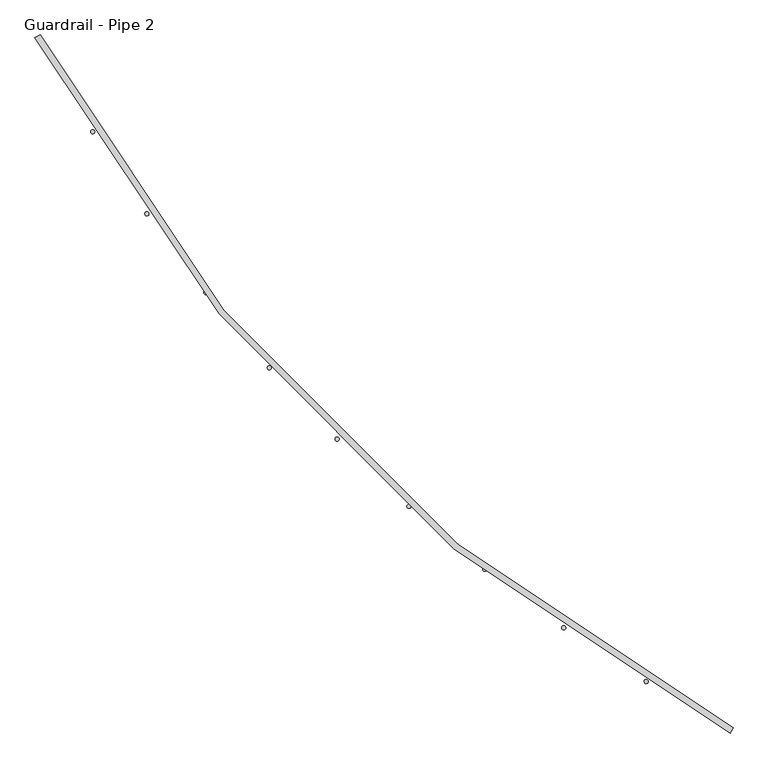
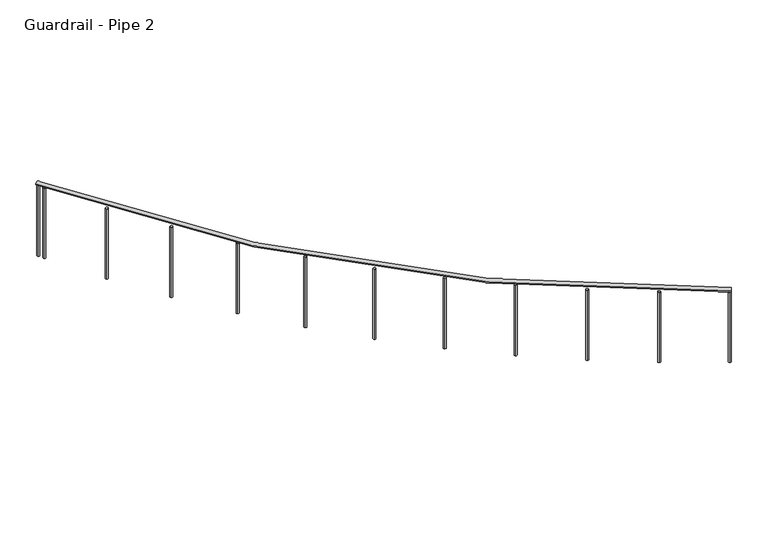
"""IFC4 building model written with IfcOpenShell, lengths in millimetres: railing geometry, Guardrail - Pipe 2."""

from ifc_helpers import new_model, si_unit, point, frame, frame_2d, origin, place, context, project, spatial, circle_curve, ellipse_curve, trimmed, segment, composite_curve, outline, extrude, source, transform, mapped, element, save
from ifc_brep_helpers import plane_surface, revolved_surface, advanced_brep


def guardrail_pipe_2_8885fca1(model_context):
    return source(origin(), model_context, "Body", "SolidModel", [
        advanced_brep(
        [(489758.198997, -280418.30214, 5010.15), (494048.93135, -284709.0344929, 5010.15), (494031.0019382, -284742.65214, 5010.15), (489724.58135, -280436.2315517, 5010.15)],
        [
            (0, 1, circle_curve(frame((498952.6254676, -275514.6080223, 5010.15), z_axis=(0.0, 0.0, 1.0), x_axis=(-0.4705882352937801, -0.8823529411766506, 0.0)), 10420.35)),
            (1, 2, circle_curve(frame((494039.9666441, -284725.8433165, 5010.15), z_axis=(-0.8823529411766506, 0.4705882352937801, 0.0), x_axis=(0.4705882352937801, 0.8823529411766506, 0.0)), 19.05)),
            (2, 3, circle_curve(frame((498952.6254676, -275514.6080223, 5010.15), z_axis=(0.0, 0.0, -1.0), x_axis=(-0.4705882352937801, -0.8823529411766506, 0.0)), 10458.45)),
            (3, 0, circle_curve(frame((489741.3901735, -280427.2668459, 5010.15), z_axis=(0.4705882352938008, -0.8823529411766396, 0.0), x_axis=(0.8823529411766396, 0.4705882352938008, 0.0)), 19.05)),
            (2, 1, circle_curve(frame((494039.9666441, -284725.8433165, 5010.15), z_axis=(-0.882352941176653, 0.4705882352937757, 0.0), x_axis=(0.4705882352937757, 0.882352941176653, 0.0)), 19.05)),
            (0, 3, circle_curve(frame((489741.3901735, -280427.2668459, 5010.15), z_axis=(0.47058823529380356, -0.8823529411766382, 0.0), x_axis=(0.8823529411766382, 0.47058823529380356, 0.0)), 19.05)),
        ],
        [
            revolved_surface(trimmed(ellipse_curve(frame((494039.9666441, -284725.8433165, 5010.15), z_axis=(0.8823529411766506, -0.4705882352937801, 0.0), x_axis=(0.4705882352937801, 0.8823529411766506, 0.0)), 19.05, 19.05), [point((494031.0019382, -284742.65214, 5010.15))], [point((494048.93135, -284709.0344929, 5010.15))], True, "CARTESIAN"), (498952.6254676, -275514.6080223, 5029.2), (0.0, 0.0, -1.0)),
            revolved_surface(trimmed(ellipse_curve(frame((494039.9666441, -284725.8433165, 5010.15), z_axis=(0.8823529411766506, -0.4705882352937801, 0.0), x_axis=(0.4705882352937801, 0.8823529411766506, 0.0)), 19.05, 19.05), [point((494048.93135, -284709.0344929, 5010.15))], [point((494031.0019382, -284742.65214, 5010.15))], True, "CARTESIAN"), (498952.6254676, -275514.6080223, 5029.2), (0.0, 0.0, -1.0)),
            plane_surface(frame((494039.9666441, -284725.8433165, 5029.2), z_axis=(0.8823529411766506, -0.4705882352937801, 0.0), x_axis=(0.4705882352937801, 0.8823529411766506, 0.0))),
            plane_surface(frame((489741.3901735, -280427.2668459, 5029.2), z_axis=(-0.4705882352938082, 0.8823529411766357, 0.0), x_axis=(0.8823529411766357, 0.4705882352938082, 0.0))),
        ],
        [
            (0, [[1, 2, 3, 4]]),
            (1, [[-3, 5, -1, 6]]),
            (2, [[-2, -5]]),
            (3, [[-6, -4]]),
        ],
    ),
        extrude(outline(composite_curve([segment(trimmed(circle_curve(frame_2d((489775.7059149, -280491.0746286)), 12.7), [point((489764.5417792, -280497.1287242))], [point((489786.8700506, -280485.020533))], False, "CARTESIAN"), True, "CONTINUOUS"), segment(trimmed(circle_curve(frame_2d((489775.7059149, -280491.0746286)), 12.7), [point((489786.8700506, -280485.020533))], [point((489764.5417792, -280497.1287242))], False, "CARTESIAN"), True, "CONTINUOUS")], self_intersect=False)), frame((0.0, 0.0, 4267.2), z_axis=(0.0, 0.0, 1.0), x_axis=(1.0, 0.0, 0.0)), (0.0, 0.0, 1.0), 723.9),
        extrude(outline(composite_curve([segment(trimmed(circle_curve(frame_2d((490081.779026, -281018.1664865)), 12.7), [point((490070.987242, -281024.8618131))], [point((490092.57081, -281011.4711599))], False, "CARTESIAN"), True, "CONTINUOUS"), segment(trimmed(circle_curve(frame_2d((490081.779026, -281018.1664865)), 12.7), [point((490092.57081, -281011.4711599))], [point((490070.987242, -281024.8618131))], False, "CARTESIAN"), True, "CONTINUOUS")], self_intersect=False)), frame((0.0, 0.0, 4267.2), z_axis=(0.0, 0.0, 1.0), x_axis=(1.0, 0.0, 0.0)), (0.0, 0.0, 1.0), 723.9),
        extrude(outline(composite_curve([segment(trimmed(circle_curve(frame_2d((490418.0920467, -281526.4972136)), 12.7), [point((490407.7094027, -281533.8109474))], [point((490428.4746908, -281519.1834798))], False, "CARTESIAN"), True, "CONTINUOUS"), segment(trimmed(circle_curve(frame_2d((490418.0920467, -281526.4972136)), 12.7), [point((490428.4746908, -281519.1834798))], [point((490407.7094027, -281533.8109474))], False, "CARTESIAN"), True, "CONTINUOUS")], self_intersect=False)), frame((0.0, 0.0, 4267.2), z_axis=(0.0, 0.0, 1.0), x_axis=(1.0, 0.0, 0.0)), (0.0, 0.0, 1.0), 723.9),
        extrude(outline(composite_curve([segment(trimmed(circle_curve(frame_2d((490783.4985166, -282014.3339565)), 12.7), [point((490773.560406, -282022.2411657))], [point((490793.4366273, -282006.4267473))], False, "CARTESIAN"), True, "CONTINUOUS"), segment(trimmed(circle_curve(frame_2d((490783.4985166, -282014.3339565)), 12.7), [point((490793.4366273, -282006.4267473))], [point((490773.560406, -282022.2411657))], False, "CARTESIAN"), True, "CONTINUOUS")], self_intersect=False)), frame((0.0, 0.0, 4267.2), z_axis=(0.0, 0.0, 1.0), x_axis=(1.0, 0.0, 0.0)), (0.0, 0.0, 1.0), 723.9),
        extrude(outline(composite_curve([segment(trimmed(circle_curve(frame_2d((491176.7527983, -282480.0137241)), 12.7), [point((491167.2930992, -282488.4874537))], [point((491186.2124974, -282471.5399945))], False, "CARTESIAN"), True, "CONTINUOUS"), segment(trimmed(circle_curve(frame_2d((491176.7527983, -282480.0137241)), 12.7), [point((491186.2124974, -282471.5399945))], [point((491167.2930992, -282488.4874537))], False, "CARTESIAN"), True, "CONTINUOUS")], self_intersect=False)), frame((0.0, 0.0, 4267.2), z_axis=(0.0, 0.0, 1.0), x_axis=(1.0, 0.0, 0.0)), (0.0, 0.0, 1.0), 723.9),
        extrude(outline(composite_curve([segment(trimmed(circle_curve(frame_2d((491596.5143235, -282921.9490564)), 12.7), [point((491587.5652832, -282930.9604202))], [point((491605.4633638, -282912.9376926))], False, "CARTESIAN"), True, "CONTINUOUS"), segment(trimmed(circle_curve(frame_2d((491596.5143235, -282921.9490564)), 12.7), [point((491605.4633638, -282912.9376926))], [point((491587.5652832, -282930.9604202))], False, "CARTESIAN"), True, "CONTINUOUS")], self_intersect=False)), frame((0.0, 0.0, 4267.2), z_axis=(0.0, 0.0, 1.0), x_axis=(1.0, 0.0, 0.0)), (0.0, 0.0, 1.0), 723.9),
        extrude(outline(composite_curve([segment(trimmed(circle_curve(frame_2d((492041.3521634, -283338.633436)), 12.7), [point((492032.9442883, -283348.1517151))], [point((492049.7600384, -283329.1151569))], False, "CARTESIAN"), True, "CONTINUOUS"), segment(trimmed(circle_curve(frame_2d((492041.3521634, -283338.633436)), 12.7), [point((492049.7600384, -283329.1151569))], [point((492032.9442883, -283348.1517151))], False, "CARTESIAN"), True, "CONTINUOUS")], self_intersect=False)), frame((0.0, 0.0, 4267.2), z_axis=(0.0, 0.0, 1.0), x_axis=(1.0, 0.0, 0.0)), (0.0, 0.0, 1.0), 723.9),
        extrude(outline(composite_curve([segment(trimmed(circle_curve(frame_2d((492509.7499061, -283728.6464237)), 12.7), [point((492501.911858, -283738.6391712))], [point((492517.5879543, -283718.6536763))], False, "CARTESIAN"), True, "CONTINUOUS"), segment(trimmed(circle_curve(frame_2d((492509.7499061, -283728.6464237)), 12.7), [point((492517.5879543, -283718.6536763))], [point((492501.911858, -283738.6391712))], False, "CARTESIAN"), True, "CONTINUOUS")], self_intersect=False)), frame((0.0, 0.0, 4267.2), z_axis=(0.0, 0.0, 1.0), x_axis=(1.0, 0.0, 0.0)), (0.0, 0.0, 1.0), 723.9),
        extrude(outline(composite_curve([segment(trimmed(circle_curve(frame_2d((493000.1108264, -284090.6585006)), 12.7), [point((492992.8693244, -284101.0916521))], [point((493007.3523284, -284080.2253492))], False, "CARTESIAN"), True, "CONTINUOUS"), segment(trimmed(circle_curve(frame_2d((493000.1108264, -284090.6585006)), 12.7), [point((493007.3523284, -284080.2253492))], [point((492992.8693244, -284101.0916521))], False, "CARTESIAN"), True, "CONTINUOUS")], self_intersect=False)), frame((0.0, 0.0, 4267.2), z_axis=(0.0, 0.0, 1.0), x_axis=(1.0, 0.0, 0.0)), (0.0, 0.0, 1.0), 723.9),
        extrude(outline(composite_curve([segment(trimmed(circle_curve(frame_2d((493510.7633284, -284423.4356005)), 12.7), [point((493504.1430582, -284434.2735903))], [point((493517.3835986, -284412.5976108))], False, "CARTESIAN"), True, "CONTINUOUS"), segment(trimmed(circle_curve(frame_2d((493510.7633284, -284423.4356005)), 12.7), [point((493517.3835986, -284412.5976108))], [point((493504.1430582, -284434.2735903))], False, "CARTESIAN"), True, "CONTINUOUS")], self_intersect=False)), frame((0.0, 0.0, 4267.2), z_axis=(0.0, 0.0, 1.0), x_axis=(1.0, 0.0, 0.0)), (0.0, 0.0, 1.0), 723.9),
        extrude(outline(composite_curve([segment(trimmed(circle_curve(frame_2d((489747.3734588, -280438.4690901)), 12.7), [point((489736.1748554, -280444.4591888))], [point((489758.5720623, -280432.4789915))], False, "CARTESIAN"), True, "CONTINUOUS"), segment(trimmed(circle_curve(frame_2d((489747.3734588, -280438.4690901)), 12.7), [point((489758.5720623, -280432.4789915))], [point((489736.1748554, -280444.4591888))], False, "CARTESIAN"), True, "CONTINUOUS")], self_intersect=False)), frame((0.0, 0.0, 4267.2), z_axis=(0.0, 0.0, 1.0), x_axis=(1.0, 0.0, 0.0)), (0.0, 0.0, 1.0), 723.9),
        extrude(outline(composite_curve([segment(trimmed(circle_curve(frame_2d((494028.7643998, -284719.8600311)), 12.7), [point((494022.7743012, -284731.0586345))], [point((494034.7544984, -284708.6614277))], False, "CARTESIAN"), True, "CONTINUOUS"), segment(trimmed(circle_curve(frame_2d((494028.7643998, -284719.8600311)), 12.7), [point((494034.7544984, -284708.6614277))], [point((494022.7743012, -284731.0586345))], False, "CARTESIAN"), True, "CONTINUOUS")], self_intersect=False)), frame((0.0, 0.0, 4267.2), z_axis=(0.0, 0.0, 1.0), x_axis=(1.0, 0.0, 0.0)), (0.0, 0.0, 1.0), 723.9),
    ])


if __name__ == "__main__":
    model = new_model("IFC4")
    model_context = context("Model", 3, world=origin())
    ifc_project = project(units=[si_unit("LENGTHUNIT", "METRE", prefix="MILLI")], contexts=[model_context])
    site = spatial("IfcSite", under=ifc_project)
    building = spatial("IfcBuilding", under=site)
    placement = place(None, origin())
    guardrail_pipe_2_shape = guardrail_pipe_2_8885fca1(model_context)
    element("IfcRailing", 1, ObjectType="Guardrail - Pipe 2", at=placement, inside=building, context=model_context, shape_type="MappedRepresentation", body=[
        mapped(guardrail_pipe_2_shape, transform((0.0, 0.0, 0.0), x_axis=(1.0, 0.0, 0.0), y_axis=(0.0, 1.0, 0.0), z_axis=(0.0, 0.0, 1.0))),
    ])
    save(model, "model.ifc")
